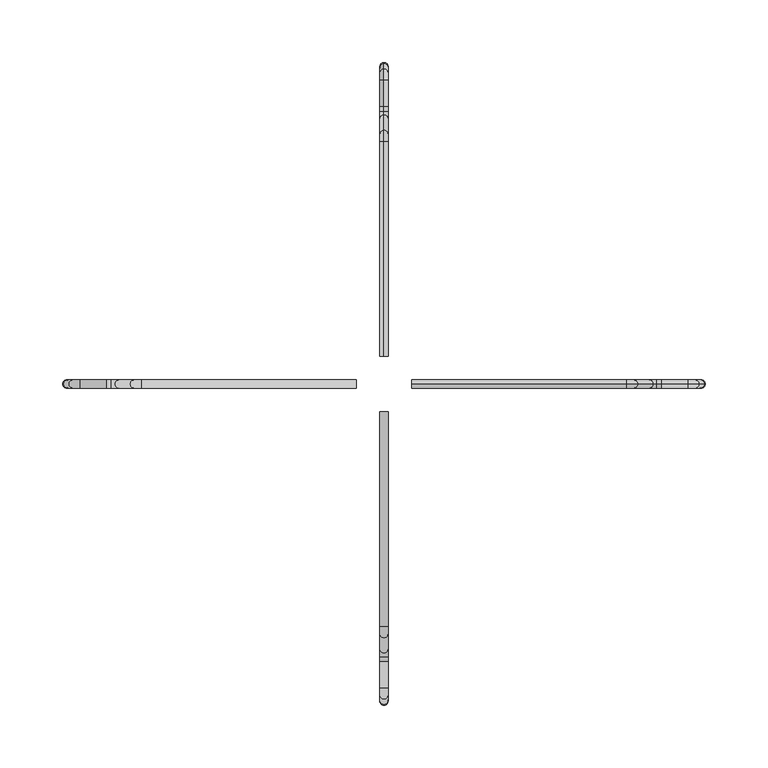
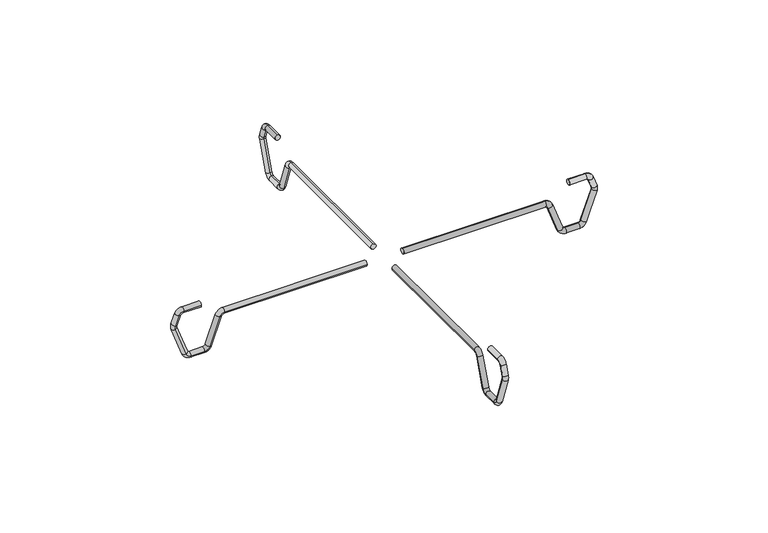
"""IFC4 building model written with IfcOpenShell, lengths in millimetres: proxy geometry."""

from ifc_helpers import new_model, si_unit, point, frame, origin, place, context, project, spatial, circle_curve, ellipse_curve, trimmed, source, transform, mapped, element, save
from ifc_brep_helpers import plane_surface, cylinder_surface, revolved_surface, advanced_brep


def specialty_equipment_a944cd5e(model_context):
    return source(origin(), model_context, "Body", "AdvancedBrep", [
        advanced_brep(
        [(-22.225, 3.2521559, 1807.6466997), (-22.225, -3.2521559, 1807.6466997), (-193.4205947, 3.2521559, 1807.6466997), (-193.4205947, -3.2521559, 1807.6466997), (-199.3876428, -3.2521559, 1803.4685276), (-199.3876428, 3.2521559, 1803.4685276), (-211.5489777, 3.2521559, 1770.0555348), (-211.5489777, -3.2521559, 1770.0555348), (-217.5160258, -3.2521559, 1765.8773627), (-217.5160258, 3.2521559, 1765.8773627), (-234.0233901, 3.2521559, 1765.8773627), (-234.0233901, -3.2521559, 1765.8773627), (-239.9904382, -3.2521559, 1770.0555348), (-239.9904382, 3.2521559, 1770.0555348), (-252.8820226, 3.2521559, 1805.4748718), (-252.8820226, -3.2521559, 1805.4748718), (-252.8820226, -3.2521559, 1809.8185276), (-252.8820226, 3.2521559, 1809.8185276), (-248.6777499, 3.2521559, 1821.369672), (-248.6777499, -3.2521559, 1821.369672), (-242.7107017, -3.2521559, 1825.5478441), (-242.7107017, 3.2521559, 1825.5478441), (-221.7570196, 3.2521559, 1825.5478441), (-221.7570196, -3.2521559, 1825.5478441)],
        [
            (0, 1, circle_curve(frame((-22.225, 0.0, 1807.6466997), z_axis=(1.0, 0.0, 0.0), x_axis=(0.0, -1.0, 0.0)), 3.2521559)),
            (1, 0, circle_curve(frame((-22.225, 0.0, 1807.6466997), z_axis=(1.0, 0.0, 0.0), x_axis=(0.0, -1.0, 0.0)), 3.2521559)),
            (0, 2),
            (2, 3, circle_curve(frame((-193.4205947, 0.0, 1807.6466997), z_axis=(1.0, 0.0, 0.0), x_axis=(0.0, -1.0, 0.0)), 3.2521559)),
            (3, 1),
            (3, 2, circle_curve(frame((-193.4205947, 0.0, 1807.6466997), z_axis=(1.0, 0.0, 0.0), x_axis=(0.0, -1.0, 0.0)), 3.2521559)),
            (4, 3, circle_curve(frame((-193.4205947, -3.2521559, 1801.2966997), z_axis=(0.0, 1.0, 0.0), x_axis=(0.0, 0.0, 1.0)), 6.35)),
            (2, 5, circle_curve(frame((-193.4205947, 3.2521559, 1801.2966997), z_axis=(0.0, -1.0, 0.0), x_axis=(0.0, 0.0, 1.0)), 6.35)),
            (5, 4, circle_curve(frame((-199.3876428, 0.0, 1803.4685276), z_axis=(0.3420201433256839, 0.0, 0.9396926207859029), x_axis=(0.0, -1.0, 0.0)), 3.2521559)),
            (4, 5, circle_curve(frame((-199.3876428, 0.0, 1803.4685276), z_axis=(0.34202014332568076, 0.0, 0.939692620785904), x_axis=(0.0, -1.0, 0.0)), 3.2521559)),
            (5, 6),
            (6, 7, circle_curve(frame((-211.5489777, 0.0, 1770.0555348), z_axis=(0.34202014332566677, 0.0, 0.9396926207859091), x_axis=(0.0, -1.0, 0.0)), 3.2521559)),
            (7, 4),
            (7, 6, circle_curve(frame((-211.5489777, 0.0, 1770.0555348), z_axis=(0.34202014332566677, 0.0, 0.9396926207859091), x_axis=(0.0, -1.0, 0.0)), 3.2521559)),
            (8, 7, circle_curve(frame((-217.5160258, -3.2521559, 1772.2273627), z_axis=(0.0, -1.0, 0.0), x_axis=(0.9396926207859124, 0.0, -0.3420201433256575)), 6.35)),
            (6, 9, circle_curve(frame((-217.5160258, 3.2521559, 1772.2273627), z_axis=(0.0, 1.0, 0.0), x_axis=(0.9396926207859124, 0.0, -0.3420201433256575)), 6.35)),
            (9, 8, circle_curve(frame((-217.5160258, 0.0, 1765.8773627), z_axis=(1.0, 0.0, 0.0), x_axis=(0.0, -1.0, 0.0)), 3.2521559)),
            (8, 9, circle_curve(frame((-217.5160258, 0.0, 1765.8773627), z_axis=(1.0, 0.0, 0.0), x_axis=(0.0, -1.0, 0.0)), 3.2521559)),
            (9, 10),
            (10, 11, circle_curve(frame((-234.0233901, 0.0, 1765.8773627), z_axis=(1.0, 0.0, 0.0), x_axis=(0.0, -1.0, 0.0)), 3.2521559)),
            (11, 8),
            (11, 10, circle_curve(frame((-234.0233901, 0.0, 1765.8773627), z_axis=(1.0, 0.0, 0.0), x_axis=(0.0, -1.0, 0.0)), 3.2521559)),
            (12, 11, circle_curve(frame((-234.0233901, -3.2521559, 1772.2273627), z_axis=(0.0, -1.0, 0.0), x_axis=(0.0, 0.0, -1.0)), 6.35)),
            (10, 13, circle_curve(frame((-234.0233901, 3.2521559, 1772.2273627), z_axis=(0.0, 1.0, 0.0), x_axis=(0.0, 0.0, -1.0)), 6.35)),
            (13, 12, circle_curve(frame((-239.9904382, 0.0, 1770.0555348), z_axis=(0.34202014332566744, 0.0, -0.9396926207859089), x_axis=(0.0, -1.0, 0.0)), 3.2521559)),
            (12, 13, circle_curve(frame((-239.9904382, 0.0, 1770.0555348), z_axis=(0.3420201433256693, 0.0, -0.9396926207859082), x_axis=(0.0, -1.0, 0.0)), 3.2521559)),
            (13, 14),
            (14, 15, circle_curve(frame((-252.8820226, 0.0, 1805.4748718), z_axis=(0.3420201433256699, 0.0, -0.9396926207859081), x_axis=(0.0, -1.0, 0.0)), 3.2521559)),
            (15, 12),
            (15, 14, circle_curve(frame((-252.8820226, 0.0, 1805.4748718), z_axis=(0.3420201433256699, 0.0, -0.9396926207859081), x_axis=(0.0, -1.0, 0.0)), 3.2521559)),
            (16, 15, circle_curve(frame((-246.9149745, -3.2521559, 1807.6466997), z_axis=(0.0, -1.0, 0.0), x_axis=(-0.9396926207859119, 0.0, -0.3420201433256593)), 6.35)),
            (14, 17, circle_curve(frame((-246.9149745, 3.2521559, 1807.6466997), z_axis=(0.0, 1.0, 0.0), x_axis=(-0.9396926207859119, 0.0, -0.3420201433256593)), 6.35)),
            (17, 16, circle_curve(frame((-252.8820226, 0.0, 1809.8185276), z_axis=(-0.34202014332563824, 0.0, -0.9396926207859195), x_axis=(0.0, -1.0, 0.0)), 3.2521559)),
            (16, 17, circle_curve(frame((-252.8820226, 0.0, 1809.8185276), z_axis=(-0.34202014332563824, 0.0, -0.9396926207859195), x_axis=(0.0, -1.0, 0.0)), 3.2521559)),
            (17, 18),
            (18, 19, circle_curve(frame((-248.6777499, 0.0, 1821.369672), z_axis=(-0.34202014332566505, 0.0, -0.9396926207859099), x_axis=(0.0, -1.0, 0.0)), 3.2521559)),
            (19, 16),
            (19, 18, circle_curve(frame((-248.6777499, 0.0, 1821.369672), z_axis=(-0.34202014332566505, 0.0, -0.9396926207859099), x_axis=(0.0, -1.0, 0.0)), 3.2521559)),
            (20, 19, circle_curve(frame((-242.7107017, -3.2521559, 1819.1978441), z_axis=(0.0, -1.0, 0.0), x_axis=(-0.939692620785914, 0.0, 0.3420201433256532)), 6.35)),
            (18, 21, circle_curve(frame((-242.7107017, 3.2521559, 1819.1978441), z_axis=(0.0, 1.0, 0.0), x_axis=(-0.939692620785914, 0.0, 0.3420201433256532)), 6.35)),
            (21, 20, circle_curve(frame((-242.7107017, 0.0, 1825.5478441), z_axis=(-1.0, 0.0, 0.0), x_axis=(0.0, -1.0, 0.0)), 3.2521559)),
            (20, 21, circle_curve(frame((-242.7107017, 0.0, 1825.5478441), z_axis=(-1.0, 0.0, 0.0), x_axis=(0.0, -1.0, 0.0)), 3.2521559)),
            (22, 23, circle_curve(frame((-221.7570196, 0.0, 1825.5478441), z_axis=(1.0, 0.0, 0.0), x_axis=(0.0, -1.0, 0.0)), 3.2521559)),
            (23, 22, circle_curve(frame((-221.7570196, 0.0, 1825.5478441), z_axis=(1.0, 0.0, 0.0), x_axis=(0.0, -1.0, 0.0)), 3.2521559)),
            (21, 22),
            (23, 20),
        ],
        [
            plane_surface(frame((-22.225, 0.0, 1807.6466997), z_axis=(1.0, 0.0, 0.0), x_axis=(0.0, -1.0, 0.0))),
            cylinder_surface(frame((-22.225, 0.0, 1807.6466997), z_axis=(1.0, 0.0, 0.0), x_axis=(0.0, -1.0, 0.0)), 3.2521559),
            revolved_surface(trimmed(ellipse_curve(frame((-193.4205947, 0.0, 1807.6466997), z_axis=(1.0, 0.0, 0.0), x_axis=(0.0, -1.0, 0.0)), 3.2521559, 3.2521559), [point((-193.4205947, 3.2521559, 1807.6466997))], [point((-193.4205947, -3.2521559, 1807.6466997))], True, "CARTESIAN"), (-193.4205947, 0.0, 1801.2966997), (0.0, -1.0, 0.0)),
            revolved_surface(trimmed(ellipse_curve(frame((-193.4205947, 0.0, 1807.6466997), z_axis=(1.0, 0.0, 0.0), x_axis=(0.0, -1.0, 0.0)), 3.2521559, 3.2521559), [point((-193.4205947, -3.2521559, 1807.6466997))], [point((-193.4205947, 3.2521559, 1807.6466997))], True, "CARTESIAN"), (-193.4205947, 0.0, 1801.2966997), (0.0, -1.0, 0.0)),
            cylinder_surface(frame((-199.3876428, 0.0, 1803.4685276), z_axis=(0.34202014332566677, 0.0, 0.9396926207859091), x_axis=(0.0, -1.0, 0.0)), 3.2521559),
            revolved_surface(trimmed(ellipse_curve(frame((-211.5489777, 0.0, 1770.0555348), z_axis=(0.3420201433256575, 0.0, 0.9396926207859124), x_axis=(0.0, -1.0, 0.0)), 3.2521559, 3.2521559), [point((-211.5489777, 3.2521559, 1770.0555348))], [point((-211.5489777, -3.2521559, 1770.0555348))], True, "CARTESIAN"), (-217.5160258, 0.0, 1772.2273627), (0.0, 1.0, 0.0)),
            revolved_surface(trimmed(ellipse_curve(frame((-211.5489777, 0.0, 1770.0555348), z_axis=(0.3420201433256575, 0.0, 0.9396926207859124), x_axis=(0.0, -1.0, 0.0)), 3.2521559, 3.2521559), [point((-211.5489777, -3.2521559, 1770.0555348))], [point((-211.5489777, 3.2521559, 1770.0555348))], True, "CARTESIAN"), (-217.5160258, 0.0, 1772.2273627), (0.0, 1.0, 0.0)),
            cylinder_surface(frame((-217.5160258, 0.0, 1765.8773627), z_axis=(1.0, 0.0, 0.0), x_axis=(0.0, -1.0, 0.0)), 3.2521559),
            revolved_surface(trimmed(ellipse_curve(frame((-234.0233901, 0.0, 1765.8773627), z_axis=(1.0, 0.0, 0.0), x_axis=(0.0, -1.0, 0.0)), 3.2521559, 3.2521559), [point((-234.0233901, 3.2521559, 1765.8773627))], [point((-234.0233901, -3.2521559, 1765.8773627))], True, "CARTESIAN"), (-234.0233901, 0.0, 1772.2273627), (0.0, 1.0, 0.0)),
            revolved_surface(trimmed(ellipse_curve(frame((-234.0233901, 0.0, 1765.8773627), z_axis=(1.0, 0.0, 0.0), x_axis=(0.0, -1.0, 0.0)), 3.2521559, 3.2521559), [point((-234.0233901, -3.2521559, 1765.8773627))], [point((-234.0233901, 3.2521559, 1765.8773627))], True, "CARTESIAN"), (-234.0233901, 0.0, 1772.2273627), (0.0, 1.0, 0.0)),
            cylinder_surface(frame((-239.9904382, 0.0, 1770.0555348), z_axis=(0.3420201433256699, 0.0, -0.9396926207859081), x_axis=(0.0, -1.0, 0.0)), 3.2521559),
            revolved_surface(trimmed(ellipse_curve(frame((-252.8820226, 0.0, 1805.4748718), z_axis=(0.34202014332565933, 0.0, -0.9396926207859119), x_axis=(0.0, -1.0, 0.0)), 3.2521559, 3.2521559), [point((-252.8820226, 3.2521559, 1805.4748718))], [point((-252.8820226, -3.2521559, 1805.4748718))], True, "CARTESIAN"), (-246.9149745, 0.0, 1807.6466997), (0.0, 1.0, 0.0)),
            revolved_surface(trimmed(ellipse_curve(frame((-252.8820226, 0.0, 1805.4748718), z_axis=(0.34202014332565933, 0.0, -0.9396926207859119), x_axis=(0.0, -1.0, 0.0)), 3.2521559, 3.2521559), [point((-252.8820226, -3.2521559, 1805.4748718))], [point((-252.8820226, 3.2521559, 1805.4748718))], True, "CARTESIAN"), (-246.9149745, 0.0, 1807.6466997), (0.0, 1.0, 0.0)),
            cylinder_surface(frame((-252.8820226, 0.0, 1809.8185276), z_axis=(-0.342020143325665, 0.0, -0.9396926207859096), x_axis=(0.0, -1.0, 0.0)), 3.2521559),
            revolved_surface(trimmed(ellipse_curve(frame((-248.6777499, 0.0, 1821.369672), z_axis=(-0.34202014332565334, 0.0, -0.939692620785914), x_axis=(0.0, -1.0, 0.0)), 3.2521559, 3.2521559), [point((-248.6777499, 3.2521559, 1821.369672))], [point((-248.6777499, -3.2521559, 1821.369672))], True, "CARTESIAN"), (-242.7107017, 0.0, 1819.1978441), (0.0, 1.0, 0.0)),
            revolved_surface(trimmed(ellipse_curve(frame((-248.6777499, 0.0, 1821.369672), z_axis=(-0.34202014332565334, 0.0, -0.939692620785914), x_axis=(0.0, -1.0, 0.0)), 3.2521559, 3.2521559), [point((-248.6777499, -3.2521559, 1821.369672))], [point((-248.6777499, 3.2521559, 1821.369672))], True, "CARTESIAN"), (-242.7107017, 0.0, 1819.1978441), (0.0, 1.0, 0.0)),
            plane_surface(frame((-221.7570196, 0.0, 1825.5478441), z_axis=(1.0, 0.0, 0.0), x_axis=(0.0, -1.0, 0.0))),
            cylinder_surface(frame((-242.7107017, 0.0, 1825.5478441), z_axis=(-1.0, 0.0, 0.0), x_axis=(0.0, -1.0, 0.0)), 3.2521559),
        ],
        [
            (0, [[1, 2]]),
            (1, [[-1, 3, 4, 5]]),
            (1, [[-2, -5, 6, -3]]),
            (2, [[7, -4, 8, 9]]),
            (3, [[-8, -6, -7, 10]]),
            (4, [[-9, 11, 12, 13]]),
            (4, [[-10, -13, 14, -11]]),
            (5, [[15, -12, 16, 17]]),
            (6, [[-16, -14, -15, 18]]),
            (7, [[-17, 19, 20, 21]]),
            (7, [[-18, -21, 22, -19]]),
            (8, [[23, -20, 24, 25]]),
            (9, [[-24, -22, -23, 26]]),
            (10, [[-25, 27, 28, 29]]),
            (10, [[-26, -29, 30, -27]]),
            (11, [[31, -28, 32, 33]]),
            (12, [[-32, -30, -31, 34]]),
            (13, [[-33, 35, 36, 37]]),
            (13, [[-34, -37, 38, -35]]),
            (14, [[39, -36, 40, 41]]),
            (15, [[-40, -38, -39, 42]]),
            (16, [[43, 44]]),
            (17, [[-41, 45, -44, 46]]),
            (17, [[-42, -46, -43, -45]]),
        ],
    ),
        advanced_brep(
        [(22.225, 0.0, 1804.3945438), (22.225, 0.0, 1810.8988556), (193.4205947, 0.0, 1804.3945438), (193.4205947, 0.0, 1810.8988556), (202.4436697, 0.0, 1804.5808304), (196.331616, 0.0, 1802.3562248), (208.4929508, 0.0, 1768.943232), (214.6050045, 0.0, 1771.1678376), (217.5160258, 0.0, 1769.1295186), (217.5160258, 0.0, 1762.6252068), (234.0233901, 0.0, 1762.6252068), (234.0233901, 0.0, 1769.1295186), (236.9344113, 0.0, 1771.1678376), (243.0464651, 0.0, 1768.943232), (255.9380495, 0.0, 1804.362569), (249.8259957, 0.0, 1806.5871746), (249.8259957, 0.0, 1808.7062248), (255.9380495, 0.0, 1810.9308304), (251.7337767, 0.0, 1822.4819749), (245.621723, 0.0, 1820.2573692), (242.7107017, 0.0, 1822.2956883), (242.7107017, 0.0, 1828.8), (221.7570196, 0.0, 1828.8), (221.7570196, 0.0, 1822.2956883)],
        [
            (0, 1, circle_curve(frame((22.225, 0.0, 1807.6466997), z_axis=(-1.0, 0.0, 0.0), x_axis=(0.0, 0.0, 1.0)), 3.2521559)),
            (1, 0, circle_curve(frame((22.225, 0.0, 1807.6466997), z_axis=(-1.0, 0.0, 0.0), x_axis=(0.0, 0.0, 1.0)), 3.2521559)),
            (0, 2),
            (2, 3, circle_curve(frame((193.4205947, 0.0, 1807.6466997), z_axis=(-1.0, 0.0, 0.0), x_axis=(0.0, 0.0, 1.0)), 3.2521559)),
            (3, 1),
            (3, 2, circle_curve(frame((193.4205947, 0.0, 1807.6466997), z_axis=(-1.0, 0.0, 0.0), x_axis=(0.0, 0.0, 1.0)), 3.2521559)),
            (4, 3, circle_curve(frame((193.4205947, 0.0, 1801.2966997), z_axis=(0.0, -1.0, 0.0), x_axis=(0.0, 0.0, 1.0)), 9.6021559)),
            (2, 5, circle_curve(frame((193.4205947, 0.0, 1801.2966997), z_axis=(0.0, 1.0, 0.0), x_axis=(0.0, 0.0, 1.0)), 3.0978441)),
            (5, 4, circle_curve(frame((199.3876428, 0.0, 1803.4685276), z_axis=(-0.34202014332559233, 0.0, 0.9396926207859362), x_axis=(0.9396926207859362, 0.0, 0.34202014332559233)), 3.2521559)),
            (4, 5, circle_curve(frame((199.3876428, 0.0, 1803.4685276), z_axis=(-0.34202014332563757, 0.0, 0.9396926207859196), x_axis=(0.9396926207859196, 0.0, 0.34202014332563757)), 3.2521559)),
            (5, 6),
            (6, 7, circle_curve(frame((211.5489777, 0.0, 1770.0555348), z_axis=(-0.34202014332566677, 0.0, 0.9396926207859091), x_axis=(0.9396926207859091, 0.0, 0.34202014332566677)), 3.2521559)),
            (7, 4),
            (7, 6, circle_curve(frame((211.5489777, 0.0, 1770.0555348), z_axis=(-0.34202014332566677, 0.0, 0.9396926207859091), x_axis=(0.9396926207859091, 0.0, 0.34202014332566677)), 3.2521559)),
            (8, 7, circle_curve(frame((217.5160258, 0.0, 1772.2273627), z_axis=(0.0, 1.0, 0.0), x_axis=(-0.9396926207859124, 0.0, -0.3420201433256575)), 3.0978441)),
            (6, 9, circle_curve(frame((217.5160258, 0.0, 1772.2273627), z_axis=(0.0, -1.0, 0.0), x_axis=(-0.9396926207859124, 0.0, -0.3420201433256575)), 9.6021559)),
            (9, 8, circle_curve(frame((217.5160258, 0.0, 1765.8773627), z_axis=(-0.9999999999999999, 0.0, 0.0), x_axis=(0.0, 0.0, 0.9999999999999999)), 3.2521559)),
            (8, 9, circle_curve(frame((217.5160258, 0.0, 1765.8773627), z_axis=(-1.0, 0.0, 0.0), x_axis=(0.0, 0.0, 1.0)), 3.2521559)),
            (9, 10),
            (10, 11, circle_curve(frame((234.0233901, 0.0, 1765.8773627), z_axis=(-1.0, 0.0, 0.0), x_axis=(0.0, 0.0, 1.0)), 3.2521559)),
            (11, 8),
            (11, 10, circle_curve(frame((234.0233901, 0.0, 1765.8773627), z_axis=(-1.0, 0.0, 0.0), x_axis=(0.0, 0.0, 1.0)), 3.2521559)),
            (12, 11, circle_curve(frame((234.0233901, 0.0, 1772.2273627), z_axis=(0.0, 1.0, 0.0), x_axis=(0.0, 0.0, -1.0)), 3.0978441)),
            (10, 13, circle_curve(frame((234.0233901, 0.0, 1772.2273627), z_axis=(0.0, -1.0, 0.0), x_axis=(0.0, 0.0, -1.0)), 9.6021559)),
            (13, 12, circle_curve(frame((239.9904382, 0.0, 1770.0555348), z_axis=(-0.34202014332566116, 0.0, -0.9396926207859112), x_axis=(-0.9396926207859112, 0.0, 0.34202014332566116)), 3.2521559)),
            (12, 13, circle_curve(frame((239.9904382, 0.0, 1770.0555348), z_axis=(-0.342020143325575, 0.0, -0.9396926207859425), x_axis=(-0.9396926207859425, 0.0, 0.342020143325575)), 3.2521559)),
            (13, 14),
            (14, 15, circle_curve(frame((252.8820226, 0.0, 1805.4748718), z_axis=(-0.3420201433256699, 0.0, -0.9396926207859081), x_axis=(-0.9396926207859081, 0.0, 0.3420201433256699)), 3.2521559)),
            (15, 12),
            (15, 14, circle_curve(frame((252.8820226, 0.0, 1805.4748718), z_axis=(-0.3420201433256699, 0.0, -0.9396926207859081), x_axis=(-0.9396926207859081, 0.0, 0.3420201433256699)), 3.2521559)),
            (16, 15, circle_curve(frame((246.9149745, 0.0, 1807.6466997), z_axis=(0.0, 1.0, 0.0), x_axis=(0.9396926207859119, 0.0, -0.3420201433256593)), 3.0978441)),
            (14, 17, circle_curve(frame((246.9149745, 0.0, 1807.6466997), z_axis=(0.0, -1.0, 0.0), x_axis=(0.9396926207859119, 0.0, -0.3420201433256593)), 9.6021559)),
            (17, 16, circle_curve(frame((252.8820226, 0.0, 1809.8185276), z_axis=(0.3420201433256341, 0.0, -0.939692620785921), x_axis=(-0.939692620785921, 0.0, -0.3420201433256341)), 3.2521559)),
            (16, 17, circle_curve(frame((252.8820226, 0.0, 1809.8185276), z_axis=(0.34202014332564723, 0.0, -0.9396926207859162), x_axis=(-0.9396926207859162, 0.0, -0.34202014332564723)), 3.2521559)),
            (17, 18),
            (18, 19, circle_curve(frame((248.6777499, 0.0, 1821.369672), z_axis=(0.34202014332566505, 0.0, -0.9396926207859099), x_axis=(-0.9396926207859096, 0.0, -0.342020143325665)), 3.2521559)),
            (19, 16),
            (19, 18, circle_curve(frame((248.6777499, 0.0, 1821.369672), z_axis=(0.34202014332566505, 0.0, -0.9396926207859099), x_axis=(-0.9396926207859096, 0.0, -0.342020143325665)), 3.2521559)),
            (20, 19, circle_curve(frame((242.7107017, 0.0, 1819.1978441), z_axis=(0.0, 1.0, 0.0), x_axis=(0.939692620785914, 0.0, 0.3420201433256532)), 3.0978441)),
            (18, 21, circle_curve(frame((242.7107017, 0.0, 1819.1978441), z_axis=(0.0, -1.0, 0.0), x_axis=(0.939692620785914, 0.0, 0.3420201433256532)), 9.6021559)),
            (21, 20, circle_curve(frame((242.7107017, 0.0, 1825.5478441), z_axis=(1.0, 0.0, 0.0), x_axis=(0.0, 0.0, -1.0)), 3.2521559)),
            (20, 21, circle_curve(frame((242.7107017, 0.0, 1825.5478441), z_axis=(0.9999999999999999, 0.0, 0.0), x_axis=(0.0, 0.0, -0.9999999999999999)), 3.2521559)),
            (22, 23, circle_curve(frame((221.7570196, 0.0, 1825.5478441), z_axis=(-1.0, 0.0, 0.0), x_axis=(0.0, 0.0, -1.0)), 3.2521559)),
            (23, 22, circle_curve(frame((221.7570196, 0.0, 1825.5478441), z_axis=(-1.0, 0.0, 0.0), x_axis=(0.0, 0.0, -1.0)), 3.2521559)),
            (21, 22),
            (23, 20),
        ],
        [
            plane_surface(frame((22.225, 0.0, 1807.6466997), z_axis=(-1.0, 0.0, 0.0), x_axis=(0.0, -1.0, 0.0))),
            cylinder_surface(frame((22.225, 0.0, 1807.6466997), z_axis=(-1.0, 0.0, 0.0), x_axis=(0.0, 0.0, 1.0)), 3.2521559),
            revolved_surface(trimmed(ellipse_curve(frame((193.4205947, 0.0, 1807.6466997), z_axis=(-1.0, 0.0, 0.0), x_axis=(0.0, 0.0, 1.0)), 3.2521559, 3.2521559), [point((193.4205947, 0.0, 1804.3945438))], [point((193.4205947, 0.0, 1810.8988556))], True, "CARTESIAN"), (193.4205947, 0.0, 1801.2966997), (0.0, 1.0, 0.0)),
            revolved_surface(trimmed(ellipse_curve(frame((193.4205947, 0.0, 1807.6466997), z_axis=(-1.0, 0.0, 0.0), x_axis=(0.0, 0.0, 1.0)), 3.2521559, 3.2521559), [point((193.4205947, 0.0, 1810.8988556))], [point((193.4205947, 0.0, 1804.3945438))], True, "CARTESIAN"), (193.4205947, 0.0, 1801.2966997), (0.0, 1.0, 0.0)),
            cylinder_surface(frame((199.3876428, 0.0, 1803.4685276), z_axis=(-0.34202014332566677, 0.0, 0.9396926207859091), x_axis=(0.9396926207859091, 0.0, 0.34202014332566677)), 3.2521559),
            revolved_surface(trimmed(ellipse_curve(frame((211.5489777, 0.0, 1770.0555348), z_axis=(-0.3420201433256575, 0.0, 0.9396926207859124), x_axis=(0.9396926207859124, 0.0, 0.3420201433256575)), 3.2521559, 3.2521559), [point((208.4929508, 0.0, 1768.943232))], [point((214.6050045, 0.0, 1771.1678376))], True, "CARTESIAN"), (217.5160258, 0.0, 1772.2273627), (0.0, -1.0, 0.0)),
            revolved_surface(trimmed(ellipse_curve(frame((211.5489777, 0.0, 1770.0555348), z_axis=(-0.3420201433256575, 0.0, 0.9396926207859124), x_axis=(0.9396926207859124, 0.0, 0.3420201433256575)), 3.2521559, 3.2521559), [point((214.6050045, 0.0, 1771.1678376))], [point((208.4929508, 0.0, 1768.943232))], True, "CARTESIAN"), (217.5160258, 0.0, 1772.2273627), (0.0, -1.0, 0.0)),
            cylinder_surface(frame((217.5160258, 0.0, 1765.8773627), z_axis=(-1.0, 0.0, 0.0), x_axis=(0.0, 0.0, 1.0)), 3.2521559),
            revolved_surface(trimmed(ellipse_curve(frame((234.0233901, 0.0, 1765.8773627), z_axis=(-1.0, 0.0, 0.0), x_axis=(0.0, 0.0, 1.0)), 3.2521559, 3.2521559), [point((234.0233901, 0.0, 1762.6252068))], [point((234.0233901, 0.0, 1769.1295186))], True, "CARTESIAN"), (234.0233901, 0.0, 1772.2273627), (0.0, -1.0, 0.0)),
            revolved_surface(trimmed(ellipse_curve(frame((234.0233901, 0.0, 1765.8773627), z_axis=(-1.0, 0.0, 0.0), x_axis=(0.0, 0.0, 1.0)), 3.2521559, 3.2521559), [point((234.0233901, 0.0, 1769.1295186))], [point((234.0233901, 0.0, 1762.6252068))], True, "CARTESIAN"), (234.0233901, 0.0, 1772.2273627), (0.0, -1.0, 0.0)),
            cylinder_surface(frame((239.9904382, 0.0, 1770.0555348), z_axis=(-0.3420201433256699, 0.0, -0.9396926207859081), x_axis=(-0.9396926207859081, 0.0, 0.3420201433256699)), 3.2521559),
            revolved_surface(trimmed(ellipse_curve(frame((252.8820226, 0.0, 1805.4748718), z_axis=(-0.34202014332565933, 0.0, -0.9396926207859119), x_axis=(-0.9396926207859119, 0.0, 0.34202014332565933)), 3.2521559, 3.2521559), [point((255.9380495, 0.0, 1804.362569))], [point((249.8259957, 0.0, 1806.5871746))], True, "CARTESIAN"), (246.9149745, 0.0, 1807.6466997), (0.0, -1.0, 0.0)),
            revolved_surface(trimmed(ellipse_curve(frame((252.8820226, 0.0, 1805.4748718), z_axis=(-0.34202014332565933, 0.0, -0.9396926207859119), x_axis=(-0.9396926207859119, 0.0, 0.34202014332565933)), 3.2521559, 3.2521559), [point((249.8259957, 0.0, 1806.5871746))], [point((255.9380495, 0.0, 1804.362569))], True, "CARTESIAN"), (246.9149745, 0.0, 1807.6466997), (0.0, -1.0, 0.0)),
            cylinder_surface(frame((252.8820226, 0.0, 1809.8185276), z_axis=(0.342020143325665, 0.0, -0.9396926207859096), x_axis=(-0.9396926207859096, 0.0, -0.342020143325665)), 3.2521559),
            revolved_surface(trimmed(ellipse_curve(frame((248.6777499, 0.0, 1821.369672), z_axis=(0.34202014332565334, 0.0, -0.939692620785914), x_axis=(-0.939692620785914, 0.0, -0.34202014332565334)), 3.2521559, 3.2521559), [point((251.7337767, 0.0, 1822.4819749))], [point((245.621723, 0.0, 1820.2573692))], True, "CARTESIAN"), (242.7107017, 0.0, 1819.1978441), (0.0, -1.0, 0.0)),
            revolved_surface(trimmed(ellipse_curve(frame((248.6777499, 0.0, 1821.369672), z_axis=(0.34202014332565334, 0.0, -0.939692620785914), x_axis=(-0.939692620785914, 0.0, -0.34202014332565334)), 3.2521559, 3.2521559), [point((245.621723, 0.0, 1820.2573692))], [point((251.7337767, 0.0, 1822.4819749))], True, "CARTESIAN"), (242.7107017, 0.0, 1819.1978441), (0.0, -1.0, 0.0)),
            plane_surface(frame((221.7570196, 0.0, 1825.5478441), z_axis=(-1.0, 0.0, 0.0), x_axis=(0.0, -1.0, 0.0))),
            cylinder_surface(frame((242.7107017, 0.0, 1825.5478441), z_axis=(1.0, 0.0, 0.0), x_axis=(0.0, 0.0, -1.0)), 3.2521559),
        ],
        [
            (0, [[1, 2]]),
            (1, [[-1, 3, 4, 5]]),
            (1, [[-2, -5, 6, -3]]),
            (2, [[7, -4, 8, 9]]),
            (3, [[-8, -6, -7, 10]]),
            (4, [[-9, 11, 12, 13]]),
            (4, [[-10, -13, 14, -11]]),
            (5, [[15, -12, 16, 17]]),
            (6, [[-16, -14, -15, 18]]),
            (7, [[-17, 19, 20, 21]]),
            (7, [[-18, -21, 22, -19]]),
            (8, [[23, -20, 24, 25]]),
            (9, [[-24, -22, -23, 26]]),
            (10, [[-25, 27, 28, 29]]),
            (10, [[-26, -29, 30, -27]]),
            (11, [[31, -28, 32, 33]]),
            (12, [[-32, -30, -31, 34]]),
            (13, [[-33, 35, 36, 37]]),
            (13, [[-34, -37, 38, -35]]),
            (14, [[39, -36, 40, 41]]),
            (15, [[-40, -38, -39, 42]]),
            (16, [[43, 44]]),
            (17, [[-41, 45, -44, 46]]),
            (17, [[-42, -46, -43, -45]]),
        ],
    ),
        advanced_brep(
        [(3.2521559, -22.225, 1807.6466997), (-3.2521559, -22.225, 1807.6466997), (3.2521559, -193.4205947, 1807.6466997), (-3.2521559, -193.4205947, 1807.6466997), (-3.2521559, -199.3876428, 1803.4685276), (3.2521559, -199.3876428, 1803.4685276), (3.2521559, -211.5489777, 1770.0555348), (-3.2521559, -211.5489777, 1770.0555348), (-3.2521559, -217.5160258, 1765.8773627), (3.2521559, -217.5160258, 1765.8773627), (3.2521559, -234.0233901, 1765.8773627), (-3.2521559, -234.0233901, 1765.8773627), (-3.2521559, -239.9904382, 1770.0555348), (3.2521559, -239.9904382, 1770.0555348), (3.2521559, -252.8820226, 1805.4748718), (-3.2521559, -252.8820226, 1805.4748718), (-3.2521559, -252.8820226, 1809.8185276), (3.2521559, -252.8820226, 1809.8185276), (3.2521559, -248.6777499, 1821.369672), (-3.2521559, -248.6777499, 1821.369672), (-3.2521559, -242.7107017, 1825.5478441), (3.2521559, -242.7107017, 1825.5478441), (3.2521559, -221.7570196, 1825.5478441), (-3.2521559, -221.7570196, 1825.5478441)],
        [
            (0, 1, circle_curve(frame((0.0, -22.225, 1807.6466997), z_axis=(0.0, 1.0, 0.0), x_axis=(-1.0, 0.0, 0.0)), 3.2521559)),
            (1, 0, circle_curve(frame((0.0, -22.225, 1807.6466997), z_axis=(0.0, 1.0, 0.0), x_axis=(-1.0, 0.0, 0.0)), 3.2521559)),
            (0, 2),
            (2, 3, circle_curve(frame((0.0, -193.4205947, 1807.6466997), z_axis=(0.0, 1.0, 0.0), x_axis=(-1.0, 0.0, 0.0)), 3.2521559)),
            (3, 1),
            (3, 2, circle_curve(frame((0.0, -193.4205947, 1807.6466997), z_axis=(0.0, 1.0, 0.0), x_axis=(-1.0, 0.0, 0.0)), 3.2521559)),
            (4, 3, circle_curve(frame((-3.2521559, -193.4205947, 1801.2966997), z_axis=(-1.0, 0.0, 0.0), x_axis=(0.0, 0.0, 1.0)), 6.35)),
            (2, 5, circle_curve(frame((3.2521559, -193.4205947, 1801.2966997), z_axis=(1.0, 0.0, 0.0), x_axis=(0.0, 0.0, 1.0)), 6.35)),
            (5, 4, circle_curve(frame((0.0, -199.3876428, 1803.4685276), z_axis=(0.0, 0.34202014332563174, 0.9396926207859219), x_axis=(-1.0, 0.0, 0.0)), 3.2521559)),
            (4, 5, circle_curve(frame((0.0, -199.3876428, 1803.4685276), z_axis=(0.0, 0.3420201433256353, 0.9396926207859205), x_axis=(-1.0, 0.0, 0.0)), 3.2521559)),
            (5, 6),
            (6, 7, circle_curve(frame((0.0, -211.5489777, 1770.0555348), z_axis=(0.0, 0.34202014332566677, 0.9396926207859091), x_axis=(-1.0, 0.0, 0.0)), 3.2521559)),
            (7, 4),
            (7, 6, circle_curve(frame((0.0, -211.5489777, 1770.0555348), z_axis=(0.0, 0.34202014332566677, 0.9396926207859091), x_axis=(-1.0, 0.0, 0.0)), 3.2521559)),
            (8, 7, circle_curve(frame((-3.2521559, -217.5160258, 1772.2273627), z_axis=(1.0, 0.0, 0.0), x_axis=(0.0, 0.9396926207859124, -0.3420201433256575)), 6.35)),
            (6, 9, circle_curve(frame((3.2521559, -217.5160258, 1772.2273627), z_axis=(-1.0, 0.0, 0.0), x_axis=(0.0, 0.9396926207859124, -0.3420201433256575)), 6.35)),
            (9, 8, circle_curve(frame((0.0, -217.5160258, 1765.8773627), z_axis=(0.0, 1.0, 0.0), x_axis=(-1.0, 0.0, 0.0)), 3.2521559)),
            (8, 9, circle_curve(frame((0.0, -217.5160258, 1765.8773627), z_axis=(0.0, 1.0, 0.0), x_axis=(-1.0, 0.0, 0.0)), 3.2521559)),
            (9, 10),
            (10, 11, circle_curve(frame((0.0, -234.0233901, 1765.8773627), z_axis=(0.0, 1.0, 0.0), x_axis=(-1.0, 0.0, 0.0)), 3.2521559)),
            (11, 8),
            (11, 10, circle_curve(frame((0.0, -234.0233901, 1765.8773627), z_axis=(0.0, 1.0, 0.0), x_axis=(-1.0, 0.0, 0.0)), 3.2521559)),
            (12, 11, circle_curve(frame((-3.2521559, -234.0233901, 1772.2273627), z_axis=(1.0, 0.0, 0.0), x_axis=(0.0, 0.0, -1.0)), 6.35)),
            (10, 13, circle_curve(frame((3.2521559, -234.0233901, 1772.2273627), z_axis=(-1.0, 0.0, 0.0), x_axis=(0.0, 0.0, -1.0)), 6.35)),
            (13, 12, circle_curve(frame((0.0, -239.9904382, 1770.0555348), z_axis=(0.0, 0.34202014332567515, -0.9396926207859061), x_axis=(-1.0, 0.0, 0.0)), 3.2521559)),
            (12, 13, circle_curve(frame((0.0, -239.9904382, 1770.0555348), z_axis=(0.0, 0.3420201433256735, -0.9396926207859067), x_axis=(-1.0, 0.0, 0.0)), 3.2521559)),
            (13, 14),
            (14, 15, circle_curve(frame((0.0, -252.8820226, 1805.4748718), z_axis=(0.0, 0.3420201433256699, -0.9396926207859081), x_axis=(-1.0, 0.0, 0.0)), 3.2521559)),
            (15, 12),
            (15, 14, circle_curve(frame((0.0, -252.8820226, 1805.4748718), z_axis=(0.0, 0.3420201433256699, -0.9396926207859081), x_axis=(-1.0, 0.0, 0.0)), 3.2521559)),
            (16, 15, circle_curve(frame((-3.2521559, -246.9149745, 1807.6466997), z_axis=(1.0, 0.0, 0.0), x_axis=(0.0, -0.9396926207859119, -0.3420201433256593)), 6.35)),
            (14, 17, circle_curve(frame((3.2521559, -246.9149745, 1807.6466997), z_axis=(-1.0, 0.0, 0.0), x_axis=(0.0, -0.9396926207859119, -0.3420201433256593)), 6.35)),
            (17, 16, circle_curve(frame((0.0, -252.8820226, 1809.8185276), z_axis=(0.0, -0.342020143325648, -0.9396926207859159), x_axis=(-1.0, 0.0, 0.0)), 3.2521559)),
            (16, 17, circle_curve(frame((0.0, -252.8820226, 1809.8185276), z_axis=(0.0, -0.342020143325648, -0.9396926207859159), x_axis=(-1.0, 0.0, 0.0)), 3.2521559)),
            (17, 18),
            (18, 19, circle_curve(frame((0.0, -248.6777499, 1821.369672), z_axis=(0.0, -0.34202014332566505, -0.9396926207859099), x_axis=(-1.0, 0.0, 0.0)), 3.2521559)),
            (19, 16),
            (19, 18, circle_curve(frame((0.0, -248.6777499, 1821.369672), z_axis=(0.0, -0.34202014332566505, -0.9396926207859099), x_axis=(-1.0, 0.0, 0.0)), 3.2521559)),
            (20, 19, circle_curve(frame((-3.2521559, -242.7107017, 1819.1978441), z_axis=(1.0, 0.0, 0.0), x_axis=(0.0, -0.939692620785914, 0.3420201433256532)), 6.35)),
            (18, 21, circle_curve(frame((3.2521559, -242.7107017, 1819.1978441), z_axis=(-1.0, 0.0, 0.0), x_axis=(0.0, -0.939692620785914, 0.3420201433256532)), 6.35)),
            (21, 20, circle_curve(frame((0.0, -242.7107017, 1825.5478441), z_axis=(0.0, -0.9999999999999999, 0.0), x_axis=(-1.0, 0.0, 0.0)), 3.2521559)),
            (20, 21, circle_curve(frame((0.0, -242.7107017, 1825.5478441), z_axis=(0.0, -0.9999999999999999, 0.0), x_axis=(-1.0, 0.0, 0.0)), 3.2521559)),
            (22, 23, circle_curve(frame((0.0, -221.7570196, 1825.5478441), z_axis=(0.0, 1.0, 0.0), x_axis=(-1.0, 0.0, 0.0)), 3.2521559)),
            (23, 22, circle_curve(frame((0.0, -221.7570196, 1825.5478441), z_axis=(0.0, 1.0, 0.0), x_axis=(-1.0, 0.0, 0.0)), 3.2521559)),
            (21, 22),
            (23, 20),
        ],
        [
            plane_surface(frame((0.0, -22.225, 1807.6466997), z_axis=(0.0, 1.0, 0.0), x_axis=(1.0, 0.0, 0.0))),
            cylinder_surface(frame((0.0, -22.225, 1807.6466997), z_axis=(0.0, 1.0, 0.0), x_axis=(-1.0, 0.0, 0.0)), 3.2521559),
            revolved_surface(trimmed(ellipse_curve(frame((0.0, -193.4205947, 1807.6466997), z_axis=(0.0, 1.0, 0.0), x_axis=(-1.0, 0.0, 0.0)), 3.2521559, 3.2521559), [point((3.2521559, -193.4205947, 1807.6466997))], [point((-3.2521559, -193.4205947, 1807.6466997))], True, "CARTESIAN"), (0.0, -193.4205947, 1801.2966997), (1.0, 0.0, 0.0)),
            revolved_surface(trimmed(ellipse_curve(frame((0.0, -193.4205947, 1807.6466997), z_axis=(0.0, 1.0, 0.0), x_axis=(-1.0, 0.0, 0.0)), 3.2521559, 3.2521559), [point((-3.2521559, -193.4205947, 1807.6466997))], [point((3.2521559, -193.4205947, 1807.6466997))], True, "CARTESIAN"), (0.0, -193.4205947, 1801.2966997), (1.0, 0.0, 0.0)),
            cylinder_surface(frame((0.0, -199.3876428, 1803.4685276), z_axis=(0.0, 0.34202014332566677, 0.9396926207859091), x_axis=(-1.0, 0.0, 0.0)), 3.2521559),
            revolved_surface(trimmed(ellipse_curve(frame((0.0, -211.5489777, 1770.0555348), z_axis=(0.0, 0.3420201433256575, 0.9396926207859124), x_axis=(-1.0, 0.0, 0.0)), 3.2521559, 3.2521559), [point((3.2521559, -211.5489777, 1770.0555348))], [point((-3.2521559, -211.5489777, 1770.0555348))], True, "CARTESIAN"), (0.0, -217.5160258, 1772.2273627), (-1.0, 0.0, 0.0)),
            revolved_surface(trimmed(ellipse_curve(frame((0.0, -211.5489777, 1770.0555348), z_axis=(0.0, 0.3420201433256575, 0.9396926207859124), x_axis=(-1.0, 0.0, 0.0)), 3.2521559, 3.2521559), [point((-3.2521559, -211.5489777, 1770.0555348))], [point((3.2521559, -211.5489777, 1770.0555348))], True, "CARTESIAN"), (0.0, -217.5160258, 1772.2273627), (-1.0, 0.0, 0.0)),
            cylinder_surface(frame((0.0, -217.5160258, 1765.8773627), z_axis=(0.0, 1.0, 0.0), x_axis=(-1.0, 0.0, 0.0)), 3.2521559),
            revolved_surface(trimmed(ellipse_curve(frame((0.0, -234.0233901, 1765.8773627), z_axis=(0.0, 1.0, 0.0), x_axis=(-1.0, 0.0, 0.0)), 3.2521559, 3.2521559), [point((3.2521559, -234.0233901, 1765.8773627))], [point((-3.2521559, -234.0233901, 1765.8773627))], True, "CARTESIAN"), (0.0, -234.0233901, 1772.2273627), (-1.0, 0.0, 0.0)),
            revolved_surface(trimmed(ellipse_curve(frame((0.0, -234.0233901, 1765.8773627), z_axis=(0.0, 1.0, 0.0), x_axis=(-1.0, 0.0, 0.0)), 3.2521559, 3.2521559), [point((-3.2521559, -234.0233901, 1765.8773627))], [point((3.2521559, -234.0233901, 1765.8773627))], True, "CARTESIAN"), (0.0, -234.0233901, 1772.2273627), (-1.0, 0.0, 0.0)),
            cylinder_surface(frame((0.0, -239.9904382, 1770.0555348), z_axis=(0.0, 0.3420201433256699, -0.9396926207859081), x_axis=(-1.0, 0.0, 0.0)), 3.2521559),
            revolved_surface(trimmed(ellipse_curve(frame((0.0, -252.8820226, 1805.4748718), z_axis=(0.0, 0.34202014332565933, -0.9396926207859119), x_axis=(-1.0, 0.0, 0.0)), 3.2521559, 3.2521559), [point((3.2521559, -252.8820226, 1805.4748718))], [point((-3.2521559, -252.8820226, 1805.4748718))], True, "CARTESIAN"), (0.0, -246.9149745, 1807.6466997), (-1.0, 0.0, 0.0)),
            revolved_surface(trimmed(ellipse_curve(frame((0.0, -252.8820226, 1805.4748718), z_axis=(0.0, 0.34202014332565933, -0.9396926207859119), x_axis=(-1.0, 0.0, 0.0)), 3.2521559, 3.2521559), [point((-3.2521559, -252.8820226, 1805.4748718))], [point((3.2521559, -252.8820226, 1805.4748718))], True, "CARTESIAN"), (0.0, -246.9149745, 1807.6466997), (-1.0, 0.0, 0.0)),
            cylinder_surface(frame((0.0, -252.8820226, 1809.8185276), z_axis=(0.0, -0.342020143325665, -0.9396926207859096), x_axis=(-1.0, 0.0, 0.0)), 3.2521559),
            revolved_surface(trimmed(ellipse_curve(frame((0.0, -248.6777499, 1821.369672), z_axis=(0.0, -0.34202014332565334, -0.939692620785914), x_axis=(-1.0, 0.0, 0.0)), 3.2521559, 3.2521559), [point((3.2521559, -248.6777499, 1821.369672))], [point((-3.2521559, -248.6777499, 1821.369672))], True, "CARTESIAN"), (0.0, -242.7107017, 1819.1978441), (-1.0, 0.0, 0.0)),
            revolved_surface(trimmed(ellipse_curve(frame((0.0, -248.6777499, 1821.369672), z_axis=(0.0, -0.34202014332565334, -0.939692620785914), x_axis=(-1.0, 0.0, 0.0)), 3.2521559, 3.2521559), [point((-3.2521559, -248.6777499, 1821.369672))], [point((3.2521559, -248.6777499, 1821.369672))], True, "CARTESIAN"), (0.0, -242.7107017, 1819.1978441), (-1.0, 0.0, 0.0)),
            plane_surface(frame((0.0, -221.7570196, 1825.5478441), z_axis=(0.0, 1.0, 0.0), x_axis=(1.0, 0.0, 0.0))),
            cylinder_surface(frame((0.0, -242.7107017, 1825.5478441), z_axis=(0.0, -1.0, 0.0), x_axis=(-1.0, 0.0, 0.0)), 3.2521559),
        ],
        [
            (0, [[1, 2]]),
            (1, [[-1, 3, 4, 5]]),
            (1, [[-2, -5, 6, -3]]),
            (2, [[7, -4, 8, 9]]),
            (3, [[-8, -6, -7, 10]]),
            (4, [[-9, 11, 12, 13]]),
            (4, [[-10, -13, 14, -11]]),
            (5, [[15, -12, 16, 17]]),
            (6, [[-16, -14, -15, 18]]),
            (7, [[-17, 19, 20, 21]]),
            (7, [[-18, -21, 22, -19]]),
            (8, [[23, -20, 24, 25]]),
            (9, [[-24, -22, -23, 26]]),
            (10, [[-25, 27, 28, 29]]),
            (10, [[-26, -29, 30, -27]]),
            (11, [[31, -28, 32, 33]]),
            (12, [[-32, -30, -31, 34]]),
            (13, [[-33, 35, 36, 37]]),
            (13, [[-34, -37, 38, -35]]),
            (14, [[39, -36, 40, 41]]),
            (15, [[-40, -38, -39, 42]]),
            (16, [[43, 44]]),
            (17, [[-41, 45, -44, 46]]),
            (17, [[-42, -46, -43, -45]]),
        ],
    ),
        advanced_brep(
        [(0.0, 22.225, 1804.3945438), (0.0, 22.225, 1810.8988556), (0.0, 193.4205947, 1804.3945438), (0.0, 193.4205947, 1810.8988556), (0.0, 202.4436697, 1804.5808304), (0.0, 196.331616, 1802.3562248), (0.0, 208.4929508, 1768.943232), (0.0, 214.6050045, 1771.1678376), (0.0, 217.5160258, 1769.1295186), (0.0, 217.5160258, 1762.6252068), (0.0, 234.0233901, 1762.6252068), (0.0, 234.0233901, 1769.1295186), (0.0, 236.9344113, 1771.1678376), (0.0, 243.0464651, 1768.943232), (0.0, 255.9380495, 1804.362569), (0.0, 249.8259957, 1806.5871746), (0.0, 249.8259957, 1808.7062248), (0.0, 255.9380495, 1810.9308304), (0.0, 251.7337767, 1822.4819749), (0.0, 245.621723, 1820.2573692), (0.0, 242.7107017, 1822.2956883), (0.0, 242.7107017, 1828.8), (0.0, 221.7570196, 1828.8), (0.0, 221.7570196, 1822.2956883)],
        [
            (0, 1, circle_curve(frame((0.0, 22.225, 1807.6466997), z_axis=(0.0, -1.0, 0.0), x_axis=(0.0, 0.0, 1.0)), 3.2521559)),
            (1, 0, circle_curve(frame((0.0, 22.225, 1807.6466997), z_axis=(0.0, -1.0, 0.0), x_axis=(0.0, 0.0, 1.0)), 3.2521559)),
            (0, 2),
            (2, 3, circle_curve(frame((0.0, 193.4205947, 1807.6466997), z_axis=(0.0, -1.0, 0.0), x_axis=(0.0, 0.0, 1.0)), 3.2521559)),
            (3, 1),
            (3, 2, circle_curve(frame((0.0, 193.4205947, 1807.6466997), z_axis=(0.0, -1.0, 0.0), x_axis=(0.0, 0.0, 1.0)), 3.2521559)),
            (4, 3, circle_curve(frame((0.0, 193.4205947, 1801.2966997), z_axis=(1.0, 0.0, 0.0), x_axis=(0.0, 0.0, 1.0)), 9.6021559)),
            (2, 5, circle_curve(frame((0.0, 193.4205947, 1801.2966997), z_axis=(-1.0, 0.0, 0.0), x_axis=(0.0, 0.0, 1.0)), 3.0978441)),
            (5, 4, circle_curve(frame((0.0, 199.3876428, 1803.4685276), z_axis=(0.0, -0.3420201433256205, 0.939692620785926), x_axis=(0.0, 0.939692620785926, 0.3420201433256205)), 3.2521559)),
            (4, 5, circle_curve(frame((0.0, 199.3876428, 1803.4685276), z_axis=(0.0, -0.3420201433256455, 0.9396926207859169), x_axis=(0.0, 0.9396926207859169, 0.3420201433256455)), 3.2521559)),
            (5, 6),
            (6, 7, circle_curve(frame((0.0, 211.5489777, 1770.0555348), z_axis=(0.0, -0.34202014332566677, 0.9396926207859091), x_axis=(0.0, 0.9396926207859091, 0.34202014332566677)), 3.2521559)),
            (7, 4),
            (7, 6, circle_curve(frame((0.0, 211.5489777, 1770.0555348), z_axis=(0.0, -0.34202014332566677, 0.9396926207859091), x_axis=(0.0, 0.9396926207859091, 0.34202014332566677)), 3.2521559)),
            (8, 7, circle_curve(frame((0.0, 217.5160258, 1772.2273627), z_axis=(-1.0, 0.0, 0.0), x_axis=(0.0, -0.9396926207859124, -0.3420201433256575)), 3.0978441)),
            (6, 9, circle_curve(frame((0.0, 217.5160258, 1772.2273627), z_axis=(1.0, 0.0, 0.0), x_axis=(0.0, -0.9396926207859124, -0.3420201433256575)), 9.6021559)),
            (9, 8, circle_curve(frame((0.0, 217.5160258, 1765.8773627), z_axis=(0.0, -0.9999999999999999, 0.0), x_axis=(0.0, 0.0, 0.9999999999999999)), 3.2521559)),
            (8, 9, circle_curve(frame((0.0, 217.5160258, 1765.8773627), z_axis=(0.0, -1.0, 0.0), x_axis=(0.0, 0.0, 1.0)), 3.2521559)),
            (9, 10),
            (10, 11, circle_curve(frame((0.0, 234.0233901, 1765.8773627), z_axis=(0.0, -1.0, 0.0), x_axis=(0.0, 0.0, 1.0)), 3.2521559)),
            (11, 8),
            (11, 10, circle_curve(frame((0.0, 234.0233901, 1765.8773627), z_axis=(0.0, -1.0, 0.0), x_axis=(0.0, 0.0, 1.0)), 3.2521559)),
            (12, 11, circle_curve(frame((0.0, 234.0233901, 1772.2273627), z_axis=(-1.0, 0.0, 0.0), x_axis=(0.0, 0.0, -1.0)), 3.0978441)),
            (10, 13, circle_curve(frame((0.0, 234.0233901, 1772.2273627), z_axis=(1.0, 0.0, 0.0), x_axis=(0.0, 0.0, -1.0)), 9.6021559)),
            (13, 12, circle_curve(frame((0.0, 239.9904382, 1770.0555348), z_axis=(0.0, -0.3420201433256589, -0.939692620785912), x_axis=(0.0, -0.939692620785912, 0.3420201433256589)), 3.2521559)),
            (12, 13, circle_curve(frame((0.0, 239.9904382, 1770.0555348), z_axis=(0.0, -0.3420201433256486, -0.9396926207859158), x_axis=(0.0, -0.9396926207859158, 0.3420201433256486)), 3.2521559)),
            (13, 14),
            (14, 15, circle_curve(frame((0.0, 252.8820226, 1805.4748718), z_axis=(0.0, -0.3420201433256699, -0.9396926207859081), x_axis=(0.0, -0.9396926207859081, 0.3420201433256699)), 3.2521559)),
            (15, 12),
            (15, 14, circle_curve(frame((0.0, 252.8820226, 1805.4748718), z_axis=(0.0, -0.3420201433256699, -0.9396926207859081), x_axis=(0.0, -0.9396926207859081, 0.3420201433256699)), 3.2521559)),
            (16, 15, circle_curve(frame((0.0, 246.9149745, 1807.6466997), z_axis=(-1.0, 0.0, 0.0), x_axis=(0.0, 0.9396926207859119, -0.3420201433256593)), 3.0978441)),
            (14, 17, circle_curve(frame((0.0, 246.9149745, 1807.6466997), z_axis=(1.0, 0.0, 0.0), x_axis=(0.0, 0.9396926207859119, -0.3420201433256593)), 9.6021559)),
            (17, 16, circle_curve(frame((0.0, 252.8820226, 1809.8185276), z_axis=(0.0, 0.34202014332567277, -0.939692620785907), x_axis=(0.0, -0.939692620785907, -0.34202014332567277)), 3.2521559)),
            (16, 17, circle_curve(frame((0.0, 252.8820226, 1809.8185276), z_axis=(0.0, 0.342020143325704, -0.9396926207858957), x_axis=(0.0, -0.9396926207858957, -0.342020143325704)), 3.2521559)),
            (17, 18),
            (18, 19, circle_curve(frame((0.0, 248.6777499, 1821.369672), z_axis=(0.0, 0.34202014332566505, -0.9396926207859099), x_axis=(0.0, -0.9396926207859096, -0.342020143325665)), 3.2521559)),
            (19, 16),
            (19, 18, circle_curve(frame((0.0, 248.6777499, 1821.369672), z_axis=(0.0, 0.34202014332566505, -0.9396926207859099), x_axis=(0.0, -0.9396926207859096, -0.342020143325665)), 3.2521559)),
            (20, 19, circle_curve(frame((0.0, 242.7107017, 1819.1978441), z_axis=(-1.0, 0.0, 0.0), x_axis=(0.0, 0.939692620785914, 0.3420201433256532)), 3.0978441)),
            (18, 21, circle_curve(frame((0.0, 242.7107017, 1819.1978441), z_axis=(1.0, 0.0, 0.0), x_axis=(0.0, 0.939692620785914, 0.3420201433256532)), 9.6021559)),
            (21, 20, circle_curve(frame((0.0, 242.7107017, 1825.5478441), z_axis=(0.0, 0.9999999999999998, 0.0), x_axis=(0.0, 0.0, -0.9999999999999998)), 3.2521559)),
            (20, 21, circle_curve(frame((0.0, 242.7107017, 1825.5478441), z_axis=(0.0, 0.9999999999999999, 0.0), x_axis=(0.0, 0.0, -0.9999999999999999)), 3.2521559)),
            (22, 23, circle_curve(frame((0.0, 221.7570196, 1825.5478441), z_axis=(0.0, -1.0, 0.0), x_axis=(0.0, 0.0, -1.0)), 3.2521559)),
            (23, 22, circle_curve(frame((0.0, 221.7570196, 1825.5478441), z_axis=(0.0, -1.0, 0.0), x_axis=(0.0, 0.0, -1.0)), 3.2521559)),
            (21, 22),
            (23, 20),
        ],
        [
            plane_surface(frame((0.0, 22.225, 1807.6466997), z_axis=(0.0, -1.0, 0.0), x_axis=(1.0, 0.0, 0.0))),
            cylinder_surface(frame((0.0, 22.225, 1807.6466997), z_axis=(0.0, -1.0, 0.0), x_axis=(0.0, 0.0, 1.0)), 3.2521559),
            revolved_surface(trimmed(ellipse_curve(frame((0.0, 193.4205947, 1807.6466997), z_axis=(0.0, -1.0, 0.0), x_axis=(0.0, 0.0, 1.0)), 3.2521559, 3.2521559), [point((0.0, 193.4205947, 1804.3945438))], [point((0.0, 193.4205947, 1810.8988556))], True, "CARTESIAN"), (0.0, 193.4205947, 1801.2966997), (-1.0, 0.0, 0.0)),
            revolved_surface(trimmed(ellipse_curve(frame((0.0, 193.4205947, 1807.6466997), z_axis=(0.0, -1.0, 0.0), x_axis=(0.0, 0.0, 1.0)), 3.2521559, 3.2521559), [point((0.0, 193.4205947, 1810.8988556))], [point((0.0, 193.4205947, 1804.3945438))], True, "CARTESIAN"), (0.0, 193.4205947, 1801.2966997), (-1.0, 0.0, 0.0)),
            cylinder_surface(frame((0.0, 199.3876428, 1803.4685276), z_axis=(0.0, -0.34202014332566677, 0.9396926207859091), x_axis=(0.0, 0.9396926207859091, 0.34202014332566677)), 3.2521559),
            revolved_surface(trimmed(ellipse_curve(frame((0.0, 211.5489777, 1770.0555348), z_axis=(0.0, -0.3420201433256575, 0.9396926207859124), x_axis=(0.0, 0.9396926207859124, 0.3420201433256575)), 3.2521559, 3.2521559), [point((0.0, 208.4929508, 1768.943232))], [point((0.0, 214.6050045, 1771.1678376))], True, "CARTESIAN"), (0.0, 217.5160258, 1772.2273627), (1.0, 0.0, 0.0)),
            revolved_surface(trimmed(ellipse_curve(frame((0.0, 211.5489777, 1770.0555348), z_axis=(0.0, -0.3420201433256575, 0.9396926207859124), x_axis=(0.0, 0.9396926207859124, 0.3420201433256575)), 3.2521559, 3.2521559), [point((0.0, 214.6050045, 1771.1678376))], [point((0.0, 208.4929508, 1768.943232))], True, "CARTESIAN"), (0.0, 217.5160258, 1772.2273627), (1.0, 0.0, 0.0)),
            cylinder_surface(frame((0.0, 217.5160258, 1765.8773627), z_axis=(0.0, -1.0, 0.0), x_axis=(0.0, 0.0, 1.0)), 3.2521559),
            revolved_surface(trimmed(ellipse_curve(frame((0.0, 234.0233901, 1765.8773627), z_axis=(0.0, -1.0, 0.0), x_axis=(0.0, 0.0, 1.0)), 3.2521559, 3.2521559), [point((0.0, 234.0233901, 1762.6252068))], [point((0.0, 234.0233901, 1769.1295186))], True, "CARTESIAN"), (0.0, 234.0233901, 1772.2273627), (1.0, 0.0, 0.0)),
            revolved_surface(trimmed(ellipse_curve(frame((0.0, 234.0233901, 1765.8773627), z_axis=(0.0, -1.0, 0.0), x_axis=(0.0, 0.0, 1.0)), 3.2521559, 3.2521559), [point((0.0, 234.0233901, 1769.1295186))], [point((0.0, 234.0233901, 1762.6252068))], True, "CARTESIAN"), (0.0, 234.0233901, 1772.2273627), (1.0, 0.0, 0.0)),
            cylinder_surface(frame((0.0, 239.9904382, 1770.0555348), z_axis=(0.0, -0.3420201433256699, -0.9396926207859081), x_axis=(0.0, -0.9396926207859081, 0.3420201433256699)), 3.2521559),
            revolved_surface(trimmed(ellipse_curve(frame((0.0, 252.8820226, 1805.4748718), z_axis=(0.0, -0.34202014332565933, -0.9396926207859119), x_axis=(0.0, -0.9396926207859119, 0.34202014332565933)), 3.2521559, 3.2521559), [point((0.0, 255.9380495, 1804.362569))], [point((0.0, 249.8259957, 1806.5871746))], True, "CARTESIAN"), (0.0, 246.9149745, 1807.6466997), (1.0, 0.0, 0.0)),
            revolved_surface(trimmed(ellipse_curve(frame((0.0, 252.8820226, 1805.4748718), z_axis=(0.0, -0.34202014332565933, -0.9396926207859119), x_axis=(0.0, -0.9396926207859119, 0.34202014332565933)), 3.2521559, 3.2521559), [point((0.0, 249.8259957, 1806.5871746))], [point((0.0, 255.9380495, 1804.362569))], True, "CARTESIAN"), (0.0, 246.9149745, 1807.6466997), (1.0, 0.0, 0.0)),
            cylinder_surface(frame((0.0, 252.8820226, 1809.8185276), z_axis=(0.0, 0.342020143325665, -0.9396926207859096), x_axis=(0.0, -0.9396926207859096, -0.342020143325665)), 3.2521559),
            revolved_surface(trimmed(ellipse_curve(frame((0.0, 248.6777499, 1821.369672), z_axis=(0.0, 0.34202014332565334, -0.939692620785914), x_axis=(0.0, -0.939692620785914, -0.34202014332565334)), 3.2521559, 3.2521559), [point((0.0, 251.7337767, 1822.4819749))], [point((0.0, 245.621723, 1820.2573692))], True, "CARTESIAN"), (0.0, 242.7107017, 1819.1978441), (1.0, 0.0, 0.0)),
            revolved_surface(trimmed(ellipse_curve(frame((0.0, 248.6777499, 1821.369672), z_axis=(0.0, 0.34202014332565334, -0.939692620785914), x_axis=(0.0, -0.939692620785914, -0.34202014332565334)), 3.2521559, 3.2521559), [point((0.0, 245.621723, 1820.2573692))], [point((0.0, 251.7337767, 1822.4819749))], True, "CARTESIAN"), (0.0, 242.7107017, 1819.1978441), (1.0, 0.0, 0.0)),
            plane_surface(frame((0.0, 221.7570196, 1825.5478441), z_axis=(0.0, -1.0, 0.0), x_axis=(1.0, 0.0, 0.0))),
            cylinder_surface(frame((0.0, 242.7107017, 1825.5478441), z_axis=(0.0, 1.0, 0.0), x_axis=(0.0, 0.0, -1.0)), 3.2521559),
        ],
        [
            (0, [[1, 2]]),
            (1, [[-1, 3, 4, 5]]),
            (1, [[-2, -5, 6, -3]]),
            (2, [[7, -4, 8, 9]]),
            (3, [[-8, -6, -7, 10]]),
            (4, [[-9, 11, 12, 13]]),
            (4, [[-10, -13, 14, -11]]),
            (5, [[15, -12, 16, 17]]),
            (6, [[-16, -14, -15, 18]]),
            (7, [[-17, 19, 20, 21]]),
            (7, [[-18, -21, 22, -19]]),
            (8, [[23, -20, 24, 25]]),
            (9, [[-24, -22, -23, 26]]),
            (10, [[-25, 27, 28, 29]]),
            (10, [[-26, -29, 30, -27]]),
            (11, [[31, -28, 32, 33]]),
            (12, [[-32, -30, -31, 34]]),
            (13, [[-33, 35, 36, 37]]),
            (13, [[-34, -37, 38, -35]]),
            (14, [[39, -36, 40, 41]]),
            (15, [[-40, -38, -39, 42]]),
            (16, [[43, 44]]),
            (17, [[-41, 45, -44, 46]]),
            (17, [[-42, -46, -43, -45]]),
        ],
    ),
    ])


if __name__ == "__main__":
    model = new_model("IFC4")
    model_context = context("Model", 3, world=origin())
    ifc_project = project(units=[si_unit("LENGTHUNIT", "METRE", prefix="MILLI")], contexts=[model_context])
    site = spatial("IfcSite", under=ifc_project)
    building = spatial("IfcBuilding", under=site)
    placement = place(None, origin())
    specialty_equipment_shape = specialty_equipment_a944cd5e(model_context)
    element("IfcBuildingElementProxy", 1, Name="Specialty Equipment", at=placement, inside=building, context=model_context, shape_type="MappedRepresentation", body=[
        mapped(specialty_equipment_shape, transform((0.0, 0.0, 0.0), x_axis=(1.0, 0.0, 0.0), y_axis=(0.0, 1.0, 0.0), z_axis=(0.0, 0.0, 1.0))),
    ])
    save(model, "model.ifc")
